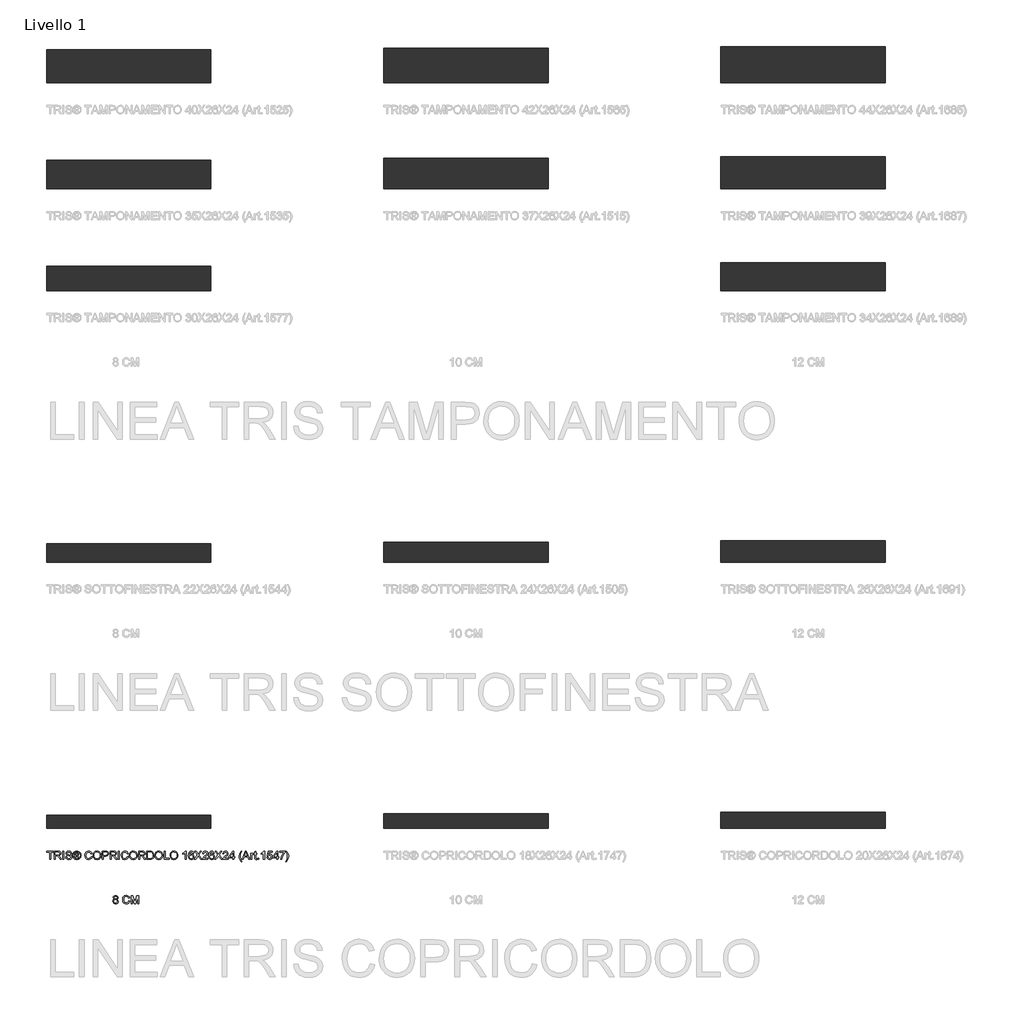
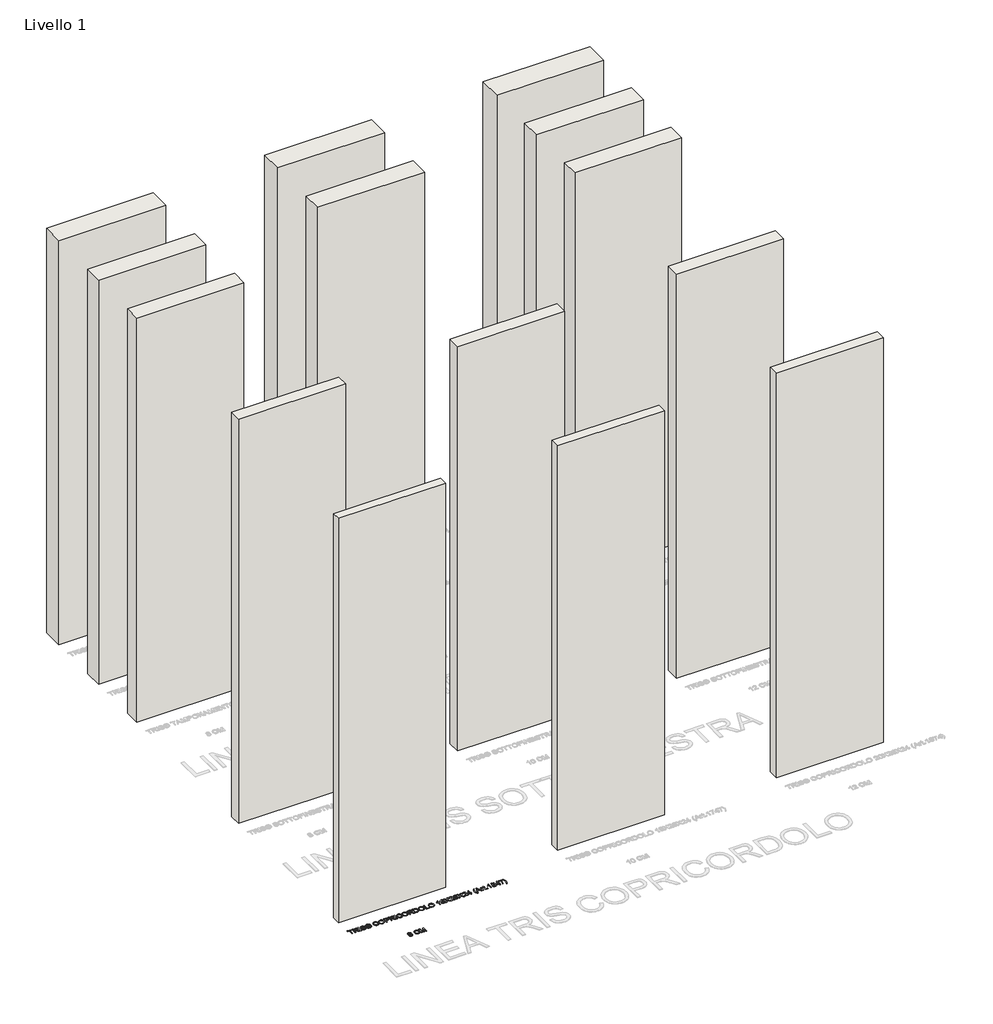
# One storey, part 1 of 16: 14 walls, 2 proxies.
"""IFC4 building model written with IfcOpenShell, lengths in millimetres."""

import ifcopenshell
import ifcopenshell.guid

model = None  # the IFC model being written
_history = None  # IfcOwnerHistory: only IFC2X3 demands one
_inside = {}  # id of a spatial element -> (the spatial element, [elements in it])
_under = {}  # id of a project, library or spatial element -> (it, [spatial elements below it])
_declared = {}  # id of a project -> (the project, [libraries it declares])
_typed = {}  # id of a type object -> (the type object, [elements of that type])
_made_of = {}  # id of a material, layer set ... -> (it, [elements and type objects made of it])


def new_model(schema):
    """Start an empty IFC model of exactly this schema.

    Asked for "IFC4X3", IfcOpenShell would pick the latest addendum, in which some entities
    have other attributes; the version numbers below select the first issue.
    IFC2X3 requires an IfcOwnerHistory on every rooted entity: one is made here for all.
    """
    global model, _history
    if schema == "IFC4X3":
        model = ifcopenshell.file(schema_version=(4, 3, 0, 0))
    else:
        model = ifcopenshell.file(schema=schema)
    _inside.clear()
    _under.clear()
    _declared.clear()
    _typed.clear()
    _made_of.clear()
    _history = None
    if model.schema == "IFC2X3":
        org = make("IfcOrganization", Name="unknown")
        user = make(
            "IfcPersonAndOrganization",
            ThePerson=make("IfcPerson", FamilyName="unknown"),
            TheOrganization=org,
        )
        app = make(
            "IfcApplication",
            ApplicationDeveloper=org,
            Version="unknown",
            ApplicationFullName="unknown",
            ApplicationIdentifier="unknown",
        )
        _history = make(
            "IfcOwnerHistory",
            OwningUser=user,
            OwningApplication=app,
            ChangeAction="ADDED",
            CreationDate=0,
        )
    return model


def make(cls, **values):
    """One entity of the class cls with the attributes given. An attribute that is None is left unset."""
    return model.create_entity(
        cls, **{name: value for name, value in values.items() if value is not None}
    )


def rooted(cls, **values):
    """An entity with a GlobalId (a new one), such as an element, a storey or a relation."""
    return make(cls, GlobalId=ifcopenshell.guid.new(), OwnerHistory=_history, **values)


def si_unit(unit_type, name, prefix=None):
    """IfcSIUnit, for example si_unit("LENGTHUNIT", "METRE", prefix="MILLI")."""
    return make("IfcSIUnit", UnitType=unit_type, Prefix=prefix, Name=name)


def assignment(units):
    """IfcUnitAssignment: the units of a project."""
    return None if units is None else make("IfcUnitAssignment", Units=units)


def point(xyz):
    """IfcCartesianPoint."""
    return None if xyz is None else make("IfcCartesianPoint", Coordinates=xyz)


def direction(xyz):
    """IfcDirection."""
    return None if xyz is None else make("IfcDirection", DirectionRatios=xyz)


def frame(location, z_axis=None, x_axis=None):
    """IfcAxis2Placement3D, a coordinate frame: its origin and axes. An axis left out is left unset."""
    return make(
        "IfcAxis2Placement3D",
        Location=point(location),
        Axis=direction(z_axis),
        RefDirection=direction(x_axis),
    )


def origin():
    """The frame at (0, 0, 0) with its axes left unset."""
    return frame((0.0, 0.0, 0.0))


def origin_with_axes():
    """The frame at (0, 0, 0) with the z axis (0, 0, 1) and the x axis (1, 0, 0) written out."""
    return frame((0.0, 0.0, 0.0), z_axis=(0.0, 0.0, 1.0), x_axis=(1.0, 0.0, 0.0))


def place(relative_to, where):
    """IfcLocalPlacement: puts the frame where relative to a parent placement (None: the world)."""
    return make(
        "IfcLocalPlacement", PlacementRelTo=relative_to, RelativePlacement=where
    )


def context(
    kind, dimensions, precision=None, world=None, true_north=None, identifier=None
):
    """IfcGeometricRepresentationContext, for example the 3D "Model" context."""
    return make(
        "IfcGeometricRepresentationContext",
        ContextIdentifier=identifier,
        ContextType=kind,
        CoordinateSpaceDimension=dimensions,
        Precision=precision,
        WorldCoordinateSystem=world,
        TrueNorth=true_north,
    )


def project(units=None, contexts=None):
    """IfcProject with its units and contexts."""
    return rooted(
        "IfcProject",
        Name="project",
        RepresentationContexts=contexts,
        UnitsInContext=assignment(units),
    )


def spatial(cls, under=None, at=None, **own):
    """A site, building, storey or space (cls), placed at a placement, below another one or the project."""
    s = rooted(cls, ObjectPlacement=at, **own)
    if under is not None:
        _under.setdefault(under.id(), (under, []))[1].append(s)
    return s


def polyline(points):
    """IfcPolyline through the points."""
    return make("IfcPolyline", Points=[point(p) for p in points])


def outline(outer, holes=None, kind="AREA"):
    """IfcArbitraryClosedProfileDef: a profile drawn as a closed curve; with holes, ...WithVoids."""
    if holes is None:
        return make("IfcArbitraryClosedProfileDef", ProfileType=kind, OuterCurve=outer)
    return make(
        "IfcArbitraryProfileDefWithVoids",
        ProfileType=kind,
        OuterCurve=outer,
        InnerCurves=holes,
    )


def extrude(swept, where, along, depth):
    """IfcExtrudedAreaSolid: the profile swept, set in the frame where, extruded along a direction by depth."""
    return make(
        "IfcExtrudedAreaSolid",
        SweptArea=swept,
        Position=where,
        ExtrudedDirection=direction(along),
        Depth=depth,
    )


def shape(context_of_items, identifier, shape_type, items):
    """IfcShapeRepresentation: the items that make up one representation, for example the "Body"."""
    return make(
        "IfcShapeRepresentation",
        ContextOfItems=context_of_items,
        RepresentationIdentifier=identifier,
        RepresentationType=shape_type,
        Items=items,
    )


def made_of(thing, what):
    """Note that an element or type object is made of a material, layer set ...; save() writes the relation."""
    if what is not None:
        _made_of.setdefault(what.id(), (what, []))[1].append(thing)
    return thing


def element(
    cls,
    number,
    at=None,
    inside=None,
    cuts=None,
    type_object=None,
    material=None,
    context=None,
    identifier="Body",
    shape_type=None,
    held_by="IfcProductDefinitionShape",
    body=None,
    shapes=None,
    **own,
):
    """One element of the class cls, such as IfcWall. Its Tag is "e" and its number.

    at: its placement. inside: the storey or other place that contains it. cuts: it is an
    opening in that element (IfcRelVoidsElement). A single representation is given by context,
    identifier, shape_type and body (its items); several are given by shapes. held_by: the class
    of the entity that holds the representations. save() writes the other relations.
    """
    e = rooted(cls, Tag="e%d" % number, ObjectPlacement=at, **own)
    if body is not None:
        shapes = [shape(context, identifier, shape_type, body)]
    if shapes is not None:
        e.Representation = make(held_by, Representations=shapes)
    if inside is not None:
        _inside.setdefault(inside.id(), (inside, []))[1].append(e)
    if cuts is not None:
        rooted(
            "IfcRelVoidsElement", RelatingBuildingElement=cuts, RelatedOpeningElement=e
        )
    if type_object is not None:
        _typed.setdefault(type_object.id(), (type_object, []))[1].append(e)
    return made_of(e, material)


def aggregate(whole, parts):
    """IfcRelAggregates: a whole, such as a stair, and the parts it consists of."""
    return rooted("IfcRelAggregates", RelatingObject=whole, RelatedObjects=parts)


def save(model, path):
    """Write the relations noted so far, then the file.

    IfcRelAggregates (storeys below a building ...), IfcRelContainedInSpatialStructure (elements
    in a storey), IfcRelDefinesByType, IfcRelAssociatesMaterial and IfcRelDeclares: one each for
    every whole, place, type object, material and project.
    """
    for whole, parts in _under.values():
        aggregate(whole, parts)
    for where, things in _inside.values():
        rooted(
            "IfcRelContainedInSpatialStructure",
            RelatedElements=things,
            RelatingStructure=where,
        )
    for kind, things in _typed.values():
        rooted("IfcRelDefinesByType", RelatedObjects=things, RelatingType=kind)
    for what, things in _made_of.values():
        rooted("IfcRelAssociatesMaterial", RelatedObjects=things, RelatingMaterial=what)
    for by, libraries in _declared.values():
        rooted("IfcRelDeclares", RelatingContext=by, RelatedDefinitions=libraries)
    model.write(path)


model = new_model("IFC4")

# Units and contexts
model_context = context("Model", 3, world=origin())
ifc_project = project(units=[si_unit("LENGTHUNIT", "METRE", prefix="MILLI")], contexts=[model_context])

# Site, building, storey
site = spatial("IfcSite", under=ifc_project)
building = spatial("IfcBuilding", under=site)
storey = spatial("IfcBuildingStorey", under=building, Name="Livello 1", Elevation=0.0)

# Proxies
placement = place(None, origin())
element("IfcBuildingElementProxy", 1, Name="100", ObjectType="100", at=placement, inside=storey, context=model_context, shape_type="SweptSolid", body=[
    extrude(outline(polyline([(-4784.880499, -2264.5295791), (-4796.3216291, -2256.7304808), (-4800.0372372, -2244.590375), (-4798.0138862, -2234.7740571), (-4791.9438333, -2226.6622591), (-4782.5076601, -2221.2176056), (-4770.3859484, -2219.4027211), (-4758.1906603, -2221.2605251), (-4748.6318598, -2226.8339374), (-4742.4514422, -2235.074494), (-4740.3913031, -2244.9337315), (-4744.0578603, -2256.767269), (-4755.1801593, -2264.5295791), (-4741.8260428, -2274.3765539), (-4737.2520434, -2290.6246753), (-4739.520649, -2302.6298911), (-4746.3264659, -2312.5504422), (-4756.8356283, -2319.2091063), (-4770.2142701, -2321.428661), (-4783.592912, -2319.1999093), (-4794.1020744, -2312.513654), (-4800.9078913, -2302.4980667), (-4803.1764969, -2290.2813188), (-4798.4185564, -2273.6530526), (-4784.880499, -2264.5295791)]), holes=[polyline([(-4790.6194581, -2289.8398604), (-4788.5225308, -2299.2944277), (-4781.1035772, -2306.3700247), (-4770.1161683, -2308.8716223), (-4761.5690433, -2307.5564441), (-4755.1556338, -2303.6109097), (-4749.8090821, -2290.2322679), (-4755.3273121, -2276.5961086), (-4761.8878743, -2272.5494066), (-4770.5331012, -2271.200506), (-4778.9606646, -2272.5310125), (-4785.3096947, -2276.5225322), (-4790.6194581, -2289.8398604)]), polyline([(-4787.4801985, -2244.958257), (-4783.0288263, -2254.8174945), (-4770.0671173, -2258.6434672), (-4757.3629258, -2254.8420199), (-4752.9483418, -2245.5223427), (-4757.5100786, -2235.8715717), (-4770.2142701, -2231.9597598), (-4782.9552499, -2235.7857326), (-4787.4801985, -2244.958257)])]), origin_with_axes(), (0.0, 0.0, 1.0), 5.0),
    extrude(outline(polyline([(-4611.6816557, -2284.1499522), (-4599.1246169, -2287.3873138), (-4604.9187583, -2302.0198201), (-4614.011575, -2312.7098578), (-4625.9554771, -2319.2489602), (-4640.3028749, -2321.428661), (-4654.8679362, -2319.7793234), (-4666.4347593, -2314.8313106), (-4675.3007154, -2306.7563008), (-4681.7631758, -2295.7259723), (-4687.0238883, -2268.8705867), (-4685.5370319, -2254.2227519), (-4681.0764627, -2241.5737426), (-4673.8751727, -2231.3251634), (-4664.1661537, -2223.8786187), (-4652.6514472, -2219.3444731), (-4640.0330948, -2217.8330912), (-4626.2651111, -2219.7889971), (-4614.882229, -2225.656715), (-4606.2400678, -2235.074494), (-4600.6942468, -2247.6805837), (-4613.2512855, -2250.6726906), (-4623.5519814, -2235.2339096), (-4640.5236041, -2230.39013), (-4660.1685027, -2235.7612071), (-4671.2662762, -2250.1821813), (-4674.4668495, -2268.8460612), (-4670.677665, -2290.4775225), (-4658.8809157, -2304.2976228), (-4641.5536737, -2308.8716223), (-4631.0721025, -2307.3142552), (-4622.3379708, -2302.6421538), (-4615.7436861, -2294.9043692), (-4611.6816557, -2284.1499522)])), origin_with_axes(), (0.0, 0.0, 1.0), 5.0),
    extrude(outline(polyline([(-4581.8586886, -2319.8590312), (-4581.8586886, -2219.4027211), (-4560.2517528, -2219.4027211), (-4539.699412, -2290.2077424), (-4535.5546082, -2304.9965986), (-4531.0664478, -2288.9814691), (-4510.8574635, -2219.4027211), (-4489.2505277, -2219.4027211), (-4489.2505277, -2319.8590312), (-4501.8075665, -2319.8590312), (-4501.8075665, -2231.9597598), (-4527.0442713, -2319.8590312), (-4544.064945, -2319.8590312), (-4569.3016498, -2231.9597598), (-4569.3016498, -2319.8590312), (-4581.8586886, -2319.8590312)])), origin_with_axes(), (0.0, 0.0, 1.0), 5.0),
])
element("IfcBuildingElementProxy", 2, Name="100", ObjectType="100", at=placement, inside=storey, context=model_context, shape_type="SweptSolid", body=[
    extrude(outline(polyline([(-5574.7353997, -1780.9291431), (-5574.7353997, -1693.0298717), (-5607.6976265, -1693.0298717), (-5607.6976265, -1680.472833), (-5529.2161342, -1680.472833), (-5529.2161342, -1693.0298717), (-5562.1783609, -1693.0298717), (-5562.1783609, -1780.9291431), (-5574.7353997, -1780.9291431)])), origin_with_axes(), (0.0, 0.0, 1.0), 5.0),
    extrude(outline(polyline([(-5515.0894655, -1780.9291431), (-5515.0894655, -1680.472833), (-5471.8020174, -1680.472833), (-5451.7033978, -1683.182897), (-5440.7159888, -1692.7723543), (-5436.6079732, -1707.9658807), (-5438.3094275, -1717.8619064), (-5443.4137901, -1726.0656749), (-5452.0743454, -1732.0805455), (-5464.4443775, -1735.4098776), (-5457.3074668, -1740.7809547), (-5447.1293983, -1753.7058755), (-5430.3785048, -1780.9291431), (-5444.9711573, -1780.9291431), (-5458.0432308, -1760.1070222), (-5467.4855354, -1746.3237101), (-5474.119674, -1739.8121988), (-5480.0916251, -1737.4209658), (-5487.3756886, -1736.9795074), (-5502.5324268, -1736.9795074), (-5502.5324268, -1780.9291431), (-5515.0894655, -1780.9291431)]), holes=[polyline([(-5502.5324268, -1724.4224686), (-5474.4262423, -1724.4224686), (-5460.0911073, -1722.6443723), (-5451.9486524, -1716.9544641), (-5449.165012, -1708.4318646), (-5454.4747755, -1697.3708793), (-5471.2624572, -1693.0298717), (-5502.5324268, -1693.0298717), (-5502.5324268, -1724.4224686)])]), origin_with_axes(), (0.0, 0.0, 1.0), 5.0),
    extrude(outline(polyline([(-5413.0635255, -1780.9291431), (-5413.0635255, -1680.472833), (-5400.5064868, -1680.472833), (-5400.5064868, -1780.9291431), (-5413.0635255, -1780.9291431)])), origin_with_axes(), (0.0, 0.0, 1.0), 5.0),
    extrude(outline(polyline([(-5380.1012988, -1746.3972865), (-5367.54426, -1746.3972865), (-5363.4975581, -1758.966588), (-5353.6137951, -1766.9128391), (-5338.5551588, -1769.9417342), (-5325.4340343, -1767.6486031), (-5316.9604857, -1761.3455582), (-5314.1768452, -1752.9210605), (-5316.2615099, -1745.085174), (-5324.7963722, -1739.3830031), (-5343.0801073, -1734.5882744), (-5362.7617941, -1728.3955942), (-5373.4426347, -1719.0513915), (-5376.9620391, -1706.5679291), (-5372.6087688, -1692.3554214), (-5359.8923145, -1682.3245057), (-5341.2774856, -1678.9032031), (-5321.4118578, -1682.4839212), (-5308.168106, -1693.0053463), (-5303.1894363, -1708.7261702), (-5315.7464751, -1708.7261702), (-5318.0518689, -1701.2336402), (-5322.8588603, -1695.8257749), (-5340.7869762, -1691.4602419), (-5358.7641431, -1695.7767239), (-5364.4050003, -1706.2000471), (-5360.4073493, -1714.9065877), (-5339.9040594, -1721.9208711), (-5317.6839869, -1728.2239159), (-5305.5316184, -1738.4019845), (-5301.6198065, -1752.6022295), (-5306.1202295, -1767.6240776), (-5319.0696758, -1778.5869611), (-5338.0646495, -1782.4987729), (-5360.4931884, -1778.2803927), (-5374.6811707, -1765.5762012), (-5380.1012988, -1746.3972865)])), origin_with_axes(), (0.0, 0.0, 1.0), 5.0),
    extrude(outline(polyline([(-5265.51832, -1762.0935849), (-5265.51832, -1699.3083911), (-5245.2357593, -1699.3083911), (-5230.177123, -1701.0374365), (-5222.7581694, -1707.0707012), (-5219.9990545, -1716.2309629), (-5224.7569949, -1728.1503395), (-5237.3630846, -1733.8402477), (-5232.4579914, -1737.1757111), (-5223.8986036, -1749.7082244), (-5216.8597948, -1762.0935849), (-5227.4547962, -1762.0935849), (-5232.9730262, -1752.1362456), (-5242.219127, -1737.7152714), (-5250.2389545, -1735.4098776), (-5256.1005409, -1735.4098776), (-5256.1005409, -1762.0935849), (-5265.51832, -1762.0935849)]), holes=[polyline([(-5256.1005409, -1725.9920985), (-5244.1811643, -1725.9920985), (-5232.5315678, -1723.6008655), (-5229.4168336, -1717.2610325), (-5230.912887, -1712.6992957), (-5235.0699535, -1709.7071888), (-5244.9414537, -1708.7261702), (-5256.1005409, -1708.7261702), (-5256.1005409, -1725.9920985)])]), origin_with_axes(), (0.0, 0.0, 1.0), 5.0),
    extrude(outline(polyline([(-5241.9493469, -1678.9032031), (-5229.0550829, -1680.5770662), (-5216.4673873, -1685.5986554), (-5205.4094677, -1693.7349789), (-5197.1045316, -1704.7530446), (-5191.9081985, -1717.4756303), (-5190.1760874, -1730.7255135), (-5191.883673, -1743.8589007), (-5197.0064298, -1756.4772532), (-5205.2101983, -1767.455465), (-5216.160819, -1775.6684306), (-5228.7699744, -1780.7911874), (-5241.9493469, -1782.4987729), (-5255.1103252, -1780.7911874), (-5267.7133493, -1775.6684306), (-5278.673167, -1767.455465), (-5286.9045267, -1756.4772532), (-5292.0548746, -1743.8589007), (-5293.7716572, -1730.7255135), (-5292.0303491, -1717.4756303), (-5286.8064248, -1704.7530446), (-5278.4738976, -1693.7349789), (-5267.4067809, -1685.5986554), (-5254.8252167, -1680.5770662), (-5241.9493469, -1678.9032031)]), holes=[polyline([(-5241.9493469, -1688.3209822), (-5262.7714678, -1693.8024239), (-5271.7999051, -1700.4641537), (-5278.6271818, -1709.4864596), (-5284.3538782, -1730.7255135), (-5278.7375464, -1751.7806263), (-5263.0167224, -1767.4646621), (-5241.9493469, -1773.0809939), (-5220.8697085, -1767.4646621), (-5205.1856728, -1751.7806263), (-5199.5938665, -1730.7255135), (-5205.2837747, -1709.4864596), (-5212.0926573, -1700.4641537), (-5221.1394887, -1693.8024239), (-5241.9493469, -1688.3209822)])]), origin_with_axes(), (0.0, 0.0, 1.0), 5.0),
    extrude(outline(polyline([(-5069.3145893, -1745.2200641), (-5056.7575505, -1748.4574257), (-5062.5516919, -1763.089932), (-5071.6445086, -1773.7799697), (-5083.5884107, -1780.3190721), (-5097.9358085, -1782.4987729), (-5112.5008698, -1780.8494353), (-5124.0676929, -1775.9014225), (-5132.933649, -1767.8264127), (-5139.3961093, -1756.7960842), (-5144.6568219, -1729.9406986), (-5143.1699655, -1715.2928638), (-5138.7093963, -1702.6438545), (-5131.5081062, -1692.3952753), (-5121.7990872, -1684.9487306), (-5110.2843808, -1680.414585), (-5097.6660283, -1678.9032031), (-5083.8980447, -1680.859109), (-5072.5151626, -1686.7268269), (-5063.8730014, -1696.1446059), (-5058.3271803, -1708.7506956), (-5070.8842191, -1711.7428025), (-5081.184915, -1696.3040215), (-5098.1565377, -1691.4602419), (-5117.8014362, -1696.831319), (-5128.8992097, -1711.2522932), (-5132.0997831, -1729.9161731), (-5128.3105985, -1751.5476344), (-5116.5138492, -1765.3677347), (-5099.1866073, -1769.9417342), (-5088.7050361, -1768.3843671), (-5079.9709044, -1763.7122657), (-5073.3766196, -1755.9744811), (-5069.3145893, -1745.2200641)])), origin_with_axes(), (0.0, 0.0, 1.0), 5.0),
    extrude(outline(polyline([(-5044.2005117, -1732.0253632), (-5040.8527856, -1709.8114221), (-5030.8096071, -1693.0053463), (-5015.4750593, -1682.4287389), (-4996.253225, -1678.9032031), (-4983.0769182, -1680.5586721), (-4971.2617748, -1685.525079), (-4961.4515883, -1693.452936), (-4954.2901521, -1703.9927552), (-4949.9123563, -1716.6356331), (-4948.4530911, -1730.8726663), (-4949.9889984, -1745.2997719), (-4954.5967204, -1758.1204594), (-4962.0218054, -1768.6786727), (-4972.0098015, -1776.3183554), (-4983.7237774, -1780.9536686), (-4996.3268014, -1782.4987729), (-5009.7054433, -1780.7911874), (-5021.5880317, -1775.6684306), (-5031.3736928, -1767.5934208), (-5038.4615526, -1757.0290761), (-5044.2005117, -1732.0253632)]), holes=[polyline([(-5031.6434729, -1732.1479905), (-5029.1326783, -1747.8626831), (-5021.6002945, -1759.837242), (-5010.2787261, -1767.4156111), (-4996.4003778, -1769.9417342), (-4982.3196944, -1767.3910857), (-4970.9797319, -1759.7391402), (-4963.5025304, -1747.3966992), (-4961.0101299, -1730.7745644), (-4965.277561, -1710.0505454), (-4977.7487607, -1696.3285469), (-4996.1796486, -1691.4602419), (-5009.6870492, -1693.8054896), (-5021.1710988, -1700.8412328), (-5029.0253794, -1713.3584176), (-5031.6434729, -1732.1479905)])]), origin_with_axes(), (0.0, 0.0, 1.0), 5.0),
    extrude(outline(polyline([(-4931.1871628, -1780.9291431), (-4931.1871628, -1680.472833), (-4893.9575049, -1680.472833), (-4878.9479195, -1681.4293261), (-4866.7465, -1686.1259529), (-4858.8370371, -1695.8380376), (-4855.8449302, -1709.5355106), (-4857.8652155, -1721.3751794), (-4863.9260713, -1731.2405483), (-4875.2599025, -1737.8992124), (-4893.0991136, -1740.1187671), (-4918.630124, -1740.1187671), (-4918.630124, -1780.9291431), (-4931.1871628, -1780.9291431)]), holes=[polyline([(-4918.630124, -1727.5617283), (-4892.3633496, -1727.5617283), (-4873.8711479, -1722.9509407), (-4869.7692637, -1717.4020539), (-4868.401969, -1709.976969), (-4871.6270678, -1699.5781712), (-4880.1006164, -1693.888263), (-4892.6576552, -1693.0298717), (-4918.630124, -1693.0298717), (-4918.630124, -1727.5617283)])]), origin_with_axes(), (0.0, 0.0, 1.0), 5.0),
    extrude(outline(polyline([(-4838.5790019, -1780.9291431), (-4838.5790019, -1680.472833), (-4795.2915538, -1680.472833), (-4775.1929341, -1683.182897), (-4764.2055252, -1692.7723543), (-4760.0975096, -1707.9658807), (-4761.7989638, -1717.8619064), (-4766.9033265, -1726.0656749), (-4775.5638818, -1732.0805455), (-4787.9339139, -1735.4098776), (-4780.7970032, -1740.7809547), (-4770.6189346, -1753.7058755), (-4753.8680411, -1780.9291431), (-4768.4606936, -1780.9291431), (-4781.5327672, -1760.1070222), (-4790.9750717, -1746.3237101), (-4797.6092103, -1739.8121988), (-4803.5811614, -1737.4209658), (-4810.8652249, -1736.9795074), (-4826.0219631, -1736.9795074), (-4826.0219631, -1780.9291431), (-4838.5790019, -1780.9291431)]), holes=[polyline([(-4826.0219631, -1724.4224686), (-4797.9157787, -1724.4224686), (-4783.5806436, -1722.6443723), (-4775.4381888, -1716.9544641), (-4772.6545483, -1708.4318646), (-4777.9643118, -1697.3708793), (-4794.7519935, -1693.0298717), (-4826.0219631, -1693.0298717), (-4826.0219631, -1724.4224686)])]), origin_with_axes(), (0.0, 0.0, 1.0), 5.0),
    extrude(outline(polyline([(-4736.5530619, -1780.9291431), (-4736.5530619, -1680.472833), (-4723.9960231, -1680.472833), (-4723.9960231, -1780.9291431), (-4736.5530619, -1780.9291431)])), origin_with_axes(), (0.0, 0.0, 1.0), 5.0),
    extrude(outline(polyline([(-4628.2486025, -1745.2200641), (-4615.6915637, -1748.4574257), (-4621.4857052, -1763.089932), (-4630.5785218, -1773.7799697), (-4642.5224239, -1780.3190721), (-4656.8698217, -1782.4987729), (-4671.4348831, -1780.8494353), (-4683.0017061, -1775.9014225), (-4691.8676622, -1767.8264127), (-4698.3301226, -1756.7960842), (-4703.5908351, -1729.9406986), (-4702.1039787, -1715.2928638), (-4697.6434095, -1702.6438545), (-4690.4421195, -1692.3952753), (-4680.7331005, -1684.9487306), (-4669.218394, -1680.414585), (-4656.6000416, -1678.9032031), (-4642.8320579, -1680.859109), (-4631.4491759, -1686.7268269), (-4622.8070147, -1696.1446059), (-4617.2611936, -1708.7506956), (-4629.8182323, -1711.7428025), (-4640.1189282, -1696.3040215), (-4657.0905509, -1691.4602419), (-4676.7354495, -1696.831319), (-4687.833223, -1711.2522932), (-4691.0337963, -1729.9161731), (-4687.2446118, -1751.5476344), (-4675.4478625, -1765.3677347), (-4658.1206205, -1769.9417342), (-4647.6390493, -1768.3843671), (-4638.9049176, -1763.7122657), (-4632.3106329, -1755.9744811), (-4628.2486025, -1745.2200641)])), origin_with_axes(), (0.0, 0.0, 1.0), 5.0),
    extrude(outline(polyline([(-4603.134525, -1732.0253632), (-4599.7867988, -1709.8114221), (-4589.7436203, -1693.0053463), (-4574.4090725, -1682.4287389), (-4555.1872383, -1678.9032031), (-4542.0109315, -1680.5586721), (-4530.1957881, -1685.525079), (-4520.3856015, -1693.452936), (-4513.2241653, -1703.9927552), (-4508.8463696, -1716.6356331), (-4507.3871044, -1730.8726663), (-4508.9230117, -1745.2997719), (-4513.5307337, -1758.1204594), (-4520.9558186, -1768.6786727), (-4530.9438148, -1776.3183554), (-4542.6577906, -1780.9536686), (-4555.2608147, -1782.4987729), (-4568.6394565, -1780.7911874), (-4580.522045, -1775.6684306), (-4590.3077061, -1767.5934208), (-4597.3955658, -1757.0290761), (-4603.134525, -1732.0253632)]), holes=[polyline([(-4590.5774862, -1732.1479905), (-4588.0666916, -1747.8626831), (-4580.5343077, -1759.837242), (-4569.2127393, -1767.4156111), (-4555.3343911, -1769.9417342), (-4541.2537077, -1767.3910857), (-4529.9137452, -1759.7391402), (-4522.4365436, -1747.3966992), (-4519.9441431, -1730.7745644), (-4524.2115743, -1710.0505454), (-4536.6827739, -1696.3285469), (-4555.1136619, -1691.4602419), (-4568.6210624, -1693.8054896), (-4580.1051121, -1700.8412328), (-4587.9593927, -1713.3584176), (-4590.5774862, -1732.1479905)])]), origin_with_axes(), (0.0, 0.0, 1.0), 5.0),
    extrude(outline(polyline([(-4490.121176, -1780.9291431), (-4490.121176, -1680.472833), (-4446.8337279, -1680.472833), (-4426.7351083, -1683.182897), (-4415.7476994, -1692.7723543), (-4411.6396837, -1707.9658807), (-4413.341138, -1717.8619064), (-4418.4455007, -1726.0656749), (-4427.106056, -1732.0805455), (-4439.476088, -1735.4098776), (-4432.3391773, -1740.7809547), (-4422.1611088, -1753.7058755), (-4405.4102153, -1780.9291431), (-4420.0028678, -1780.9291431), (-4433.0749413, -1760.1070222), (-4442.5172459, -1746.3237101), (-4449.1513845, -1739.8121988), (-4455.1233356, -1737.4209658), (-4462.4073991, -1736.9795074), (-4477.5641373, -1736.9795074), (-4477.5641373, -1780.9291431), (-4490.121176, -1780.9291431)]), holes=[polyline([(-4477.5641373, -1724.4224686), (-4449.4579528, -1724.4224686), (-4435.1228178, -1722.6443723), (-4426.9803629, -1716.9544641), (-4424.1967225, -1708.4318646), (-4429.506486, -1697.3708793), (-4446.2941677, -1693.0298717), (-4477.5641373, -1693.0298717), (-4477.5641373, -1724.4224686)])]), origin_with_axes(), (0.0, 0.0, 1.0), 5.0),
    extrude(outline(polyline([(-4389.6648659, -1780.9291431), (-4389.6648659, -1680.472833), (-4355.0103819, -1680.472833), (-4337.0822661, -1681.9198355), (-4322.3179353, -1689.1057971), (-4310.4230841, -1706.2736235), (-4306.4744841, -1730.1614278), (-4309.1477599, -1750.4317257), (-4316.0148905, -1765.0611664), (-4325.1874149, -1774.1723771), (-4337.1926306, -1779.2123605), (-4353.3426502, -1780.9291431), (-4389.6648659, -1780.9291431)]), holes=[polyline([(-4377.1078271, -1768.3721043), (-4354.8877546, -1768.3721043), (-4338.7254723, -1766.5572198), (-4329.4057951, -1761.4313974), (-4321.7661123, -1748.9601977), (-4319.0315228, -1729.965224), (-4320.3712264, -1716.2800138), (-4324.3903372, -1706.1755217), (-4337.4256226, -1695.04096), (-4355.2311111, -1693.0298717), (-4377.1078271, -1693.0298717), (-4377.1078271, -1768.3721043)])]), origin_with_axes(), (0.0, 0.0, 1.0), 5.0),
    extrude(outline(polyline([(-4293.9174453, -1732.0253632), (-4290.5697191, -1709.8114221), (-4280.5265407, -1693.0053463), (-4265.1919928, -1682.4287389), (-4245.9701586, -1678.9032031), (-4232.7938518, -1680.5586721), (-4220.9787084, -1685.525079), (-4211.1685218, -1693.452936), (-4204.0070857, -1703.9927552), (-4199.6292899, -1716.6356331), (-4198.1700247, -1730.8726663), (-4199.705932, -1745.2997719), (-4204.313654, -1758.1204594), (-4211.7387389, -1768.6786727), (-4221.7267351, -1776.3183554), (-4233.440711, -1780.9536686), (-4246.043735, -1782.4987729), (-4259.4223769, -1780.7911874), (-4271.3049653, -1775.6684306), (-4281.0906264, -1767.5934208), (-4288.1784862, -1757.0290761), (-4293.9174453, -1732.0253632)]), holes=[polyline([(-4281.3604065, -1732.1479905), (-4278.8496119, -1747.8626831), (-4271.317228, -1759.837242), (-4259.9956596, -1767.4156111), (-4246.1173114, -1769.9417342), (-4232.036628, -1767.3910857), (-4220.6966655, -1759.7391402), (-4213.219464, -1747.3966992), (-4210.7270634, -1730.7745644), (-4214.9944946, -1710.0505454), (-4227.4656942, -1696.3285469), (-4245.8965822, -1691.4602419), (-4259.4039828, -1693.8054896), (-4270.8880324, -1700.8412328), (-4278.742313, -1713.3584176), (-4281.3604065, -1732.1479905)])]), origin_with_axes(), (0.0, 0.0, 1.0), 5.0),
    extrude(outline(polyline([(-4180.9040964, -1780.9291431), (-4180.9040964, -1680.472833), (-4168.3470576, -1680.472833), (-4168.3470576, -1768.3721043), (-4118.1189025, -1768.3721043), (-4118.1189025, -1780.9291431), (-4180.9040964, -1780.9291431)])), origin_with_axes(), (0.0, 0.0, 1.0), 5.0),
    extrude(outline(polyline([(-4108.7011234, -1732.0253632), (-4105.3533973, -1709.8114221), (-4095.3102188, -1693.0053463), (-4079.975671, -1682.4287389), (-4060.7538367, -1678.9032031), (-4047.5775299, -1680.5586721), (-4035.7623865, -1685.525079), (-4025.9522, -1693.452936), (-4018.7907638, -1703.9927552), (-4014.4129681, -1716.6356331), (-4012.9537028, -1730.8726663), (-4014.4896102, -1745.2997719), (-4019.0973322, -1758.1204594), (-4026.5224171, -1768.6786727), (-4036.5104133, -1776.3183554), (-4048.2243891, -1780.9536686), (-4060.8274131, -1782.4987729), (-4074.206055, -1780.7911874), (-4086.0886435, -1775.6684306), (-4095.8743045, -1767.5934208), (-4102.9621643, -1757.0290761), (-4108.7011234, -1732.0253632)]), holes=[polyline([(-4096.1440847, -1732.1479905), (-4093.6332901, -1747.8626831), (-4086.1009062, -1759.837242), (-4074.7793378, -1767.4156111), (-4060.9009895, -1769.9417342), (-4046.8203062, -1767.3910857), (-4035.4803437, -1759.7391402), (-4028.0031421, -1747.3966992), (-4025.5107416, -1730.7745644), (-4029.7781727, -1710.0505454), (-4042.2493724, -1696.3285469), (-4060.6802603, -1691.4602419), (-4074.1876609, -1693.8054896), (-4085.6717105, -1700.8412328), (-4093.5259911, -1713.3584176), (-4096.1440847, -1732.1479905)])]), origin_with_axes(), (0.0, 0.0, 1.0), 5.0),
    extrude(outline(polyline([(-3914.0670225, -1780.9291431), (-3926.6240613, -1780.9291431), (-3926.6240613, -1702.6438545), (-3938.5189125, -1711.1174031), (-3951.7381388, -1717.4572362), (-3951.7381388, -1705.5869105), (-3933.3317763, -1693.8392121), (-3922.1604264, -1680.472833), (-3914.0670225, -1680.472833), (-3914.0670225, -1780.9291431)])), origin_with_axes(), (0.0, 0.0, 1.0), 5.0),
    extrude(outline(polyline([(-3819.8892318, -1707.1565403), (-3832.4462705, -1708.7261702), (-3837.204211, -1698.2537961), (-3849.7857752, -1693.0298717), (-3861.1165407, -1696.0710295), (-3869.6881912, -1707.4876341), (-3873.2566465, -1729.8671222), (-3862.1833985, -1719.8484692), (-3848.4614001, -1716.5743194), (-3836.8608545, -1718.8122682), (-3827.1242443, -1725.5261146), (-3820.5207625, -1735.7838909), (-3818.3196019, -1748.6536294), (-3822.4644057, -1765.9808714), (-3833.8687476, -1778.2436045), (-3850.3253355, -1782.4987729), (-3864.5715658, -1779.6783443), (-3875.9176596, -1771.2170584), (-3883.3396789, -1756.2810494), (-3885.8136853, -1734.0364514), (-3883.0668331, -1709.0266071), (-3874.8262764, -1691.9262257), (-3863.5752187, -1683.3361811), (-3849.0009603, -1680.472833), (-3837.9828946, -1682.2447979), (-3829.159858, -1687.5606927), (-3822.9794405, -1696.0035845), (-3819.8892318, -1707.1565403)]), holes=[polyline([(-3873.2566465, -1748.4574257), (-3870.3503788, -1759.33447), (-3862.6248569, -1767.2316701), (-3851.3063542, -1769.9417342), (-3843.0198122, -1768.5376512), (-3836.5052352, -1764.3254024), (-3832.2837893, -1757.7035265), (-3830.8766407, -1749.0705623), (-3832.2653952, -1740.7840204), (-3836.4316588, -1734.4656471), (-3843.0566004, -1730.4649304), (-3851.8213889, -1729.1313582), (-3867.0149153, -1734.4656471), (-3871.6962137, -1740.6307362), (-3873.2566465, -1748.4574257)])]), origin_with_axes(), (0.0, 0.0, 1.0), 5.0),
    extrude(outline(polyline([(-3813.6107124, -1780.9291431), (-3774.885001, -1726.1883022), (-3807.332193, -1680.472833), (-3792.2735567, -1680.472833), (-3774.0020842, -1706.2000471), (-3767.8461922, -1716.2309629), (-3760.6357051, -1706.0283689), (-3742.5604364, -1680.472833), (-3727.2810708, -1680.472833), (-3759.7282628, -1726.335455), (-3721.0025515, -1780.9291431), (-3736.0611878, -1780.9291431), (-3761.8619784, -1744.533351), (-3767.2330555, -1736.9795074), (-3773.1436929, -1745.269115), (-3798.3313468, -1780.9291431), (-3813.6107124, -1780.9291431)])), origin_with_axes(), (0.0, 0.0, 1.0), 5.0),
    extrude(outline(polyline([(-3648.7995785, -1768.3721043), (-3648.7995785, -1780.9291431), (-3714.7240321, -1780.9291431), (-3713.3751314, -1772.2716535), (-3705.7477114, -1758.9420625), (-3690.0268875, -1744.3861982), (-3668.3463752, -1723.4659755), (-3662.9262472, -1709.241205), (-3668.0398069, -1697.7264985), (-3681.3939233, -1693.0298717), (-3695.3121255, -1697.6161339), (-3700.5973635, -1710.2958), (-3713.1544022, -1708.7261702), (-3710.1101787, -1696.579933), (-3703.5281567, -1687.7078455), (-3693.7516927, -1682.2815861), (-3681.1241432, -1680.472833), (-3668.4046232, -1682.4839212), (-3658.6465533, -1688.5171859), (-3652.4385446, -1697.5302948), (-3650.3692084, -1708.4809155), (-3652.6010258, -1720.3880294), (-3660.0199794, -1732.6998135), (-3678.009409, -1749.9044282), (-3692.4549086, -1761.9832203), (-3698.1202914, -1768.3721043), (-3648.7995785, -1768.3721043)])), origin_with_axes(), (0.0, 0.0, 1.0), 5.0),
    extrude(outline(polyline([(-3571.8877161, -1707.1565403), (-3584.4447549, -1708.7261702), (-3589.2026953, -1698.2537961), (-3601.7842596, -1693.0298717), (-3613.115025, -1696.0710295), (-3621.6866755, -1707.4876341), (-3625.2551309, -1729.8671222), (-3614.1818828, -1719.8484692), (-3600.4598844, -1716.5743194), (-3588.8593388, -1718.8122682), (-3579.1227287, -1725.5261146), (-3572.5192468, -1735.7838909), (-3570.3180862, -1748.6536294), (-3574.46289, -1765.9808714), (-3585.8672319, -1778.2436045), (-3602.3238198, -1782.4987729), (-3616.5700501, -1779.6783443), (-3627.9161439, -1771.2170584), (-3635.3381632, -1756.2810494), (-3637.8121696, -1734.0364514), (-3635.0653174, -1709.0266071), (-3626.8247607, -1691.9262257), (-3615.573703, -1683.3361811), (-3600.9994446, -1680.472833), (-3589.9813789, -1682.2447979), (-3581.1583424, -1687.5606927), (-3574.9779248, -1696.0035845), (-3571.8877161, -1707.1565403)]), holes=[polyline([(-3625.2551309, -1748.4574257), (-3622.3488631, -1759.33447), (-3614.6233412, -1767.2316701), (-3603.3048385, -1769.9417342), (-3595.0182965, -1768.5376512), (-3588.5037195, -1764.3254024), (-3584.2822736, -1757.7035265), (-3582.875125, -1749.0705623), (-3584.2638795, -1740.7840204), (-3588.4301431, -1734.4656471), (-3595.0550847, -1730.4649304), (-3603.8198733, -1729.1313582), (-3619.0133997, -1734.4656471), (-3623.6946981, -1740.6307362), (-3625.2551309, -1748.4574257)])]), origin_with_axes(), (0.0, 0.0, 1.0), 5.0),
    extrude(outline(polyline([(-3565.6091967, -1780.9291431), (-3526.8834853, -1726.1883022), (-3559.3306773, -1680.472833), (-3544.272041, -1680.472833), (-3526.0005686, -1706.2000471), (-3519.8446765, -1716.2309629), (-3512.6341894, -1706.0283689), (-3494.5589207, -1680.472833), (-3479.2795552, -1680.472833), (-3511.7267471, -1726.335455), (-3473.0010358, -1780.9291431), (-3488.0596721, -1780.9291431), (-3513.8604627, -1744.533351), (-3519.2315398, -1736.9795074), (-3525.1421772, -1745.269115), (-3550.3298312, -1780.9291431), (-3565.6091967, -1780.9291431)])), origin_with_axes(), (0.0, 0.0, 1.0), 5.0),
    extrude(outline(polyline([(-3400.7980629, -1768.3721043), (-3400.7980629, -1780.9291431), (-3466.7225164, -1780.9291431), (-3465.3736157, -1772.2716535), (-3457.7461957, -1758.9420625), (-3442.0253718, -1744.3861982), (-3420.3448595, -1723.4659755), (-3414.9247315, -1709.241205), (-3420.0382912, -1697.7264985), (-3433.3924076, -1693.0298717), (-3447.3106098, -1697.6161339), (-3452.5958478, -1710.2958), (-3465.1528865, -1708.7261702), (-3462.108663, -1696.579933), (-3455.526641, -1687.7078455), (-3445.750177, -1682.2815861), (-3433.1226275, -1680.472833), (-3420.4031075, -1682.4839212), (-3410.6450376, -1688.5171859), (-3404.4370289, -1697.5302948), (-3402.3676927, -1708.4809155), (-3404.5995101, -1720.3880294), (-3412.0184637, -1732.6998135), (-3430.0078933, -1749.9044282), (-3444.453393, -1761.9832203), (-3450.1187757, -1768.3721043), (-3400.7980629, -1768.3721043)])), origin_with_axes(), (0.0, 0.0, 1.0), 5.0),
    extrude(outline(polyline([(-3347.4306481, -1780.9291431), (-3347.4306481, -1757.3846954), (-3392.9499136, -1757.3846954), (-3392.9499136, -1744.8276566), (-3344.2913884, -1682.0424628), (-3334.8736093, -1682.0424628), (-3334.8736093, -1744.8276566), (-3322.3165706, -1744.8276566), (-3322.3165706, -1757.3846954), (-3334.8736093, -1757.3846954), (-3334.8736093, -1780.9291431), (-3347.4306481, -1780.9291431)]), holes=[polyline([(-3347.4306481, -1744.8276566), (-3347.4306481, -1706.0283689), (-3377.4988698, -1744.8276566), (-3347.4306481, -1744.8276566)])]), origin_with_axes(), (0.0, 0.0, 1.0), 5.0),
    extrude(outline(polyline([(-3243.8350783, -1809.1824803), (-3261.6650923, -1779.7273952), (-3267.1281399, -1762.5473061), (-3268.9491558, -1744.7540802), (-3263.5045023, -1714.2198746), (-3243.8350783, -1680.472833), (-3234.4172992, -1680.472833), (-3246.1649976, -1700.3629862), (-3253.2283319, -1719.6400027), (-3256.392117, -1744.8276566), (-3250.8984126, -1777.0173312), (-3234.4172992, -1809.1824803), (-3243.8350783, -1809.1824803)])), origin_with_axes(), (0.0, 0.0, 1.0), 5.0),
    extrude(outline(polyline([(-3231.989278, -1780.9291431), (-3191.8901405, -1680.472833), (-3181.1970372, -1680.472833), (-3141.0978997, -1780.9291431), (-3154.366177, -1780.9291431), (-3165.8686207, -1749.5365462), (-3207.2430825, -1749.5365462), (-3218.7210007, -1780.9291431), (-3231.989278, -1780.9291431)]), holes=[polyline([(-3202.6322948, -1736.9795074), (-3170.4548829, -1736.9795074), (-3179.50478, -1712.2823628), (-3186.5435889, -1693.0298717), (-3192.7975828, -1710.1241218), (-3202.6322948, -1736.9795074)])]), origin_with_axes(), (0.0, 0.0, 1.0), 5.0),
    extrude(outline(polyline([(-3129.2520995, -1780.9291431), (-3129.2520995, -1707.1565403), (-3118.2646906, -1707.1565403), (-3118.2646906, -1718.0703729), (-3110.4655923, -1708.0149317), (-3102.617443, -1705.5869105), (-3090.0113533, -1709.4619342), (-3094.2052081, -1720.7191232), (-3103.034376, -1718.1439493), (-3110.1344985, -1720.6210214), (-3114.659447, -1727.4881519), (-3116.6950607, -1742.1543808), (-3116.6950607, -1780.9291431), (-3129.2520995, -1780.9291431)])), origin_with_axes(), (0.0, 0.0, 1.0), 5.0),
    extrude(outline(polyline([(-3055.4794967, -1770.456769), (-3053.9098669, -1781.2970251), (-3063.3031205, -1782.4987729), (-3073.8245455, -1780.4141083), (-3079.0729953, -1774.9449293), (-3080.5935743, -1760.6956334), (-3080.5935743, -1719.7135791), (-3090.0113533, -1719.7135791), (-3090.0113533, -1707.1565403), (-3080.5935743, -1707.1565403), (-3080.5935743, -1689.2284244), (-3068.0365355, -1681.8462591), (-3068.0365355, -1707.1565403), (-3055.4794967, -1707.1565403), (-3055.4794967, -1719.7135791), (-3068.0365355, -1719.7135791), (-3068.0365355, -1760.3277514), (-3067.3743479, -1766.8024745), (-3065.2283696, -1769.0956056), (-3060.9486757, -1769.9417342), (-3055.4794967, -1770.456769)])), origin_with_axes(), (0.0, 0.0, 1.0), 5.0),
    extrude(outline(polyline([(-3039.7831983, -1780.9291431), (-3039.7831983, -1768.3721043), (-3027.2261595, -1768.3721043), (-3027.2261595, -1780.9291431), (-3039.7831983, -1780.9291431)])), origin_with_axes(), (0.0, 0.0, 1.0), 5.0),
    extrude(outline(polyline([(-2959.7320761, -1780.9291431), (-2972.2891149, -1780.9291431), (-2972.2891149, -1702.6438545), (-2984.1839661, -1711.1174031), (-2997.4031924, -1717.4572362), (-2997.4031924, -1705.5869105), (-2978.9968299, -1693.8392121), (-2967.82548, -1680.472833), (-2959.7320761, -1680.472833), (-2959.7320761, -1780.9291431)])), origin_with_axes(), (0.0, 0.0, 1.0), 5.0),
    extrude(outline(polyline([(-2929.909109, -1754.2454357), (-2917.3520703, -1752.6758059), (-2911.0244999, -1765.6129894), (-2897.9033755, -1769.9417342), (-2888.9025293, -1768.4364837), (-2882.1580261, -1763.9207322), (-2877.9457772, -1756.9156459), (-2876.5416943, -1747.9423909), (-2881.8024068, -1733.0309073), (-2888.4089543, -1728.9290231), (-2897.7071717, -1727.5617283), (-2908.7313688, -1729.7444948), (-2915.7824404, -1735.4098776), (-2928.3394792, -1733.8402477), (-2917.3520703, -1682.0424628), (-2868.693545, -1682.0424628), (-2868.693545, -1694.5995016), (-2907.1985272, -1694.5995016), (-2912.5696043, -1722.2642276), (-2903.599415, -1716.8195741), (-2894.20003, -1715.0046896), (-2882.4676601, -1717.2549011), (-2872.7279843, -1724.0055357), (-2866.1704877, -1734.2939688), (-2863.9846555, -1747.1575759), (-2865.9528242, -1759.7146147), (-2871.8573302, -1770.456769), (-2883.1635702, -1779.488272), (-2897.9524264, -1782.4987729), (-2910.2856703, -1780.5643268), (-2920.1111852, -1774.7609883), (-2926.8464914, -1765.7632078), (-2929.909109, -1754.2454357)])), origin_with_axes(), (0.0, 0.0, 1.0), 5.0),
    extrude(outline(polyline([(-2812.1868706, -1780.9291431), (-2812.1868706, -1757.3846954), (-2857.7061361, -1757.3846954), (-2857.7061361, -1744.8276566), (-2809.0476109, -1682.0424628), (-2799.6298318, -1682.0424628), (-2799.6298318, -1744.8276566), (-2787.072793, -1744.8276566), (-2787.072793, -1757.3846954), (-2799.6298318, -1757.3846954), (-2799.6298318, -1780.9291431), (-2812.1868706, -1780.9291431)]), holes=[polyline([(-2812.1868706, -1744.8276566), (-2812.1868706, -1706.0283689), (-2842.2550923, -1744.8276566), (-2812.1868706, -1744.8276566)])]), origin_with_axes(), (0.0, 0.0, 1.0), 5.0),
    extrude(outline(polyline([(-2776.0853841, -1694.5995016), (-2776.0853841, -1682.0424628), (-2710.1609306, -1682.0424628), (-2710.1609306, -1692.1960059), (-2728.8615987, -1719.210807), (-2743.1722083, -1753.6322991), (-2747.8320469, -1780.9291431), (-2760.3890857, -1780.9291431), (-2755.3981533, -1752.6022295), (-2741.7006803, -1720.5842332), (-2722.7179694, -1694.5995016), (-2776.0853841, -1694.5995016)])), origin_with_axes(), (0.0, 0.0, 1.0), 5.0),
    extrude(outline(polyline([(-2692.8950023, -1809.1824803), (-2702.3127814, -1809.1824803), (-2685.831668, -1777.0173312), (-2680.3379635, -1744.8276566), (-2683.5017487, -1719.8607319), (-2690.4915066, -1700.5591899), (-2702.3127814, -1680.472833), (-2692.8950023, -1680.472833), (-2673.2255783, -1714.2198746), (-2667.7809247, -1744.7540802), (-2669.6111377, -1762.5473061), (-2675.1017764, -1779.7273952), (-2692.8950023, -1809.1824803)])), origin_with_axes(), (0.0, 0.0, 1.0), 5.0),
])

# Walls
element("IfcWall", 3, at=placement, inside=storey, context=model_context, shape_type="SweptSolid", body=[
    extrude(outline(polyline([(-3610.8368862, -1403.8590312), (-5610.8368862, -1403.8590312), (-5610.8368862, -1243.8590312), (-3610.8368862, -1243.8590312), (-3610.8368862, -1403.8590312)])), origin_with_axes(), (0.0, 0.0, 1.0), 8000.0),
])
element("IfcWall", 4, at=placement, inside=storey, context=model_context, shape_type="SweptSolid", body=[
    extrude(outline(polyline([(489.1631138, -1403.8590312), (-1510.8368862, -1403.8590312), (-1510.8368862, -1223.8590312), (489.1631138, -1223.8590312), (489.1631138, -1403.8590312)])), origin_with_axes(), (0.0, 0.0, 1.0), 8000.0),
])
element("IfcWall", 5, at=placement, inside=storey, context=model_context, shape_type="SweptSolid", body=[
    extrude(outline(polyline([(4589.1631138, -1403.8590312), (2589.1631138, -1403.8590312), (2589.1631138, -1203.8590312), (4589.1631138, -1203.8590312), (4589.1631138, -1403.8590312)])), origin_with_axes(), (0.0, 0.0, 1.0), 8000.0),
])
element("IfcWall", 6, at=placement, inside=storey, context=model_context, shape_type="SweptSolid", body=[
    extrude(outline(polyline([(-3610.8368862, 1836.1409688), (-5610.8368862, 1836.1409688), (-5610.8368862, 2056.1409688), (-3610.8368862, 2056.1409688), (-3610.8368862, 1836.1409688)])), origin_with_axes(), (0.0, 0.0, 1.0), 8000.0),
])
element("IfcWall", 7, at=placement, inside=storey, context=model_context, shape_type="SweptSolid", body=[
    extrude(outline(polyline([(489.1631138, 1836.1409688), (-1510.8368862, 1836.1409688), (-1510.8368862, 2076.1409688), (489.1631138, 2076.1409688), (489.1631138, 1836.1409688)])), origin_with_axes(), (0.0, 0.0, 1.0), 8000.0),
])
element("IfcWall", 8, at=placement, inside=storey, context=model_context, shape_type="SweptSolid", body=[
    extrude(outline(polyline([(4589.1631138, 1836.1409688), (2589.1631138, 1836.1409688), (2589.1631138, 2096.1409688), (4589.1631138, 2096.1409688), (4589.1631138, 1836.1409688)])), origin_with_axes(), (0.0, 0.0, 1.0), 8000.0),
])
element("IfcWall", 9, at=placement, inside=storey, context=model_context, shape_type="SweptSolid", body=[
    extrude(outline(polyline([(-3610.8368862, 5136.1409688), (-5610.8368862, 5136.1409688), (-5610.8368862, 5436.1409688), (-3610.8368862, 5436.1409688), (-3610.8368862, 5136.1409688)])), origin_with_axes(), (0.0, 0.0, 1.0), 8000.0),
])
element("IfcWall", 10, at=placement, inside=storey, context=model_context, shape_type="SweptSolid", body=[
    extrude(outline(polyline([(4589.1631138, 5136.1409688), (2589.1631138, 5136.1409688), (2589.1631138, 5476.1409688), (4589.1631138, 5476.1409688), (4589.1631138, 5136.1409688)])), origin_with_axes(), (0.0, 0.0, 1.0), 8000.0),
])
element("IfcWall", 11, at=placement, inside=storey, context=model_context, shape_type="SweptSolid", body=[
    extrude(outline(polyline([(-3610.8368862, 6376.1409688), (-5610.8368862, 6376.1409688), (-5610.8368862, 6726.1409688), (-3610.8368862, 6726.1409688), (-3610.8368862, 6376.1409688)])), origin_with_axes(), (0.0, 0.0, 1.0), 8000.0),
])
element("IfcWall", 12, at=placement, inside=storey, context=model_context, shape_type="SweptSolid", body=[
    extrude(outline(polyline([(489.1631138, 6376.1409688), (-1510.8368862, 6376.1409688), (-1510.8368862, 6746.1409688), (489.1631138, 6746.1409688), (489.1631138, 6376.1409688)])), origin_with_axes(), (0.0, 0.0, 1.0), 8000.0),
])
element("IfcWall", 13, at=placement, inside=storey, context=model_context, shape_type="SweptSolid", body=[
    extrude(outline(polyline([(4589.1631138, 6376.1409688), (2589.1631138, 6376.1409688), (2589.1631138, 6766.1409688), (4589.1631138, 6766.1409688), (4589.1631138, 6376.1409688)])), origin_with_axes(), (0.0, 0.0, 1.0), 8000.0),
])
element("IfcWall", 14, at=placement, inside=storey, context=model_context, shape_type="SweptSolid", body=[
    extrude(outline(polyline([(-3610.8368862, 7666.1409688), (-5610.8368862, 7666.1409688), (-5610.8368862, 8066.1409688), (-3610.8368862, 8066.1409688), (-3610.8368862, 7666.1409688)])), origin_with_axes(), (0.0, 0.0, 1.0), 8000.0),
])
element("IfcWall", 15, at=placement, inside=storey, context=model_context, shape_type="SweptSolid", body=[
    extrude(outline(polyline([(489.1631138, 7666.1409688), (-1510.8368862, 7666.1409688), (-1510.8368862, 8086.1409688), (489.1631138, 8086.1409688), (489.1631138, 7666.1409688)])), origin_with_axes(), (0.0, 0.0, 1.0), 8000.0),
])
element("IfcWall", 16, at=placement, inside=storey, context=model_context, shape_type="SweptSolid", body=[
    extrude(outline(polyline([(4589.1631138, 7666.1409688), (2589.1631138, 7666.1409688), (2589.1631138, 8106.1409688), (4589.1631138, 8106.1409688), (4589.1631138, 7666.1409688)])), origin_with_axes(), (0.0, 0.0, 1.0), 8000.0),
])

save(model, "model.ifc")
